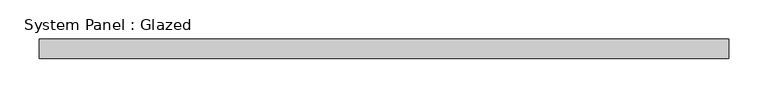
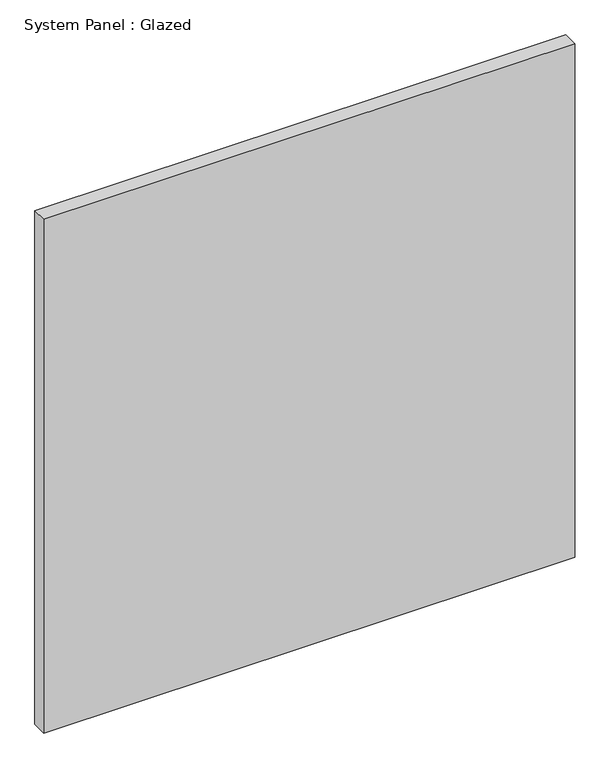
"""IFC4 building model written with IfcOpenShell, lengths in millimetres: plate geometry, System Panel : Glazed."""

from ifc_helpers import new_model, si_unit, origin, origin_with_axes, place, context, project, spatial, polyline, outline, extrude, source, transform, mapped, element, save


def system_panel_glazed_608431ff(model_context):
    return source(origin(), model_context, "Body", "SweptSolid", [
        extrude(outline(polyline([(440.0, 24.5), (-440.0, 24.5), (-440.0, 49.5), (440.0, 49.5), (440.0, 24.5)])), origin_with_axes(), (0.0, 0.0, 1.0), 900.0),
    ])


if __name__ == "__main__":
    model = new_model("IFC4")
    model_context = context("Model", 3, world=origin())
    ifc_project = project(units=[si_unit("LENGTHUNIT", "METRE", prefix="MILLI")], contexts=[model_context])
    site = spatial("IfcSite", under=ifc_project)
    building = spatial("IfcBuilding", under=site)
    placement = place(None, origin())
    system_panel_glazed_shape = system_panel_glazed_608431ff(model_context)
    element("IfcPlate", 1, ObjectType="System Panel : Glazed", at=placement, inside=building, context=model_context, shape_type="MappedRepresentation", body=[
        mapped(system_panel_glazed_shape, transform((0.0, 0.0, 0.0), x_axis=(1.0, 0.0, 0.0), y_axis=(0.0, 1.0, 0.0), z_axis=(0.0, 0.0, 1.0))),
    ])
    save(model, "model.ifc")
